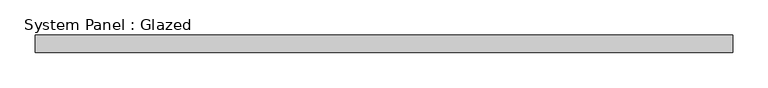
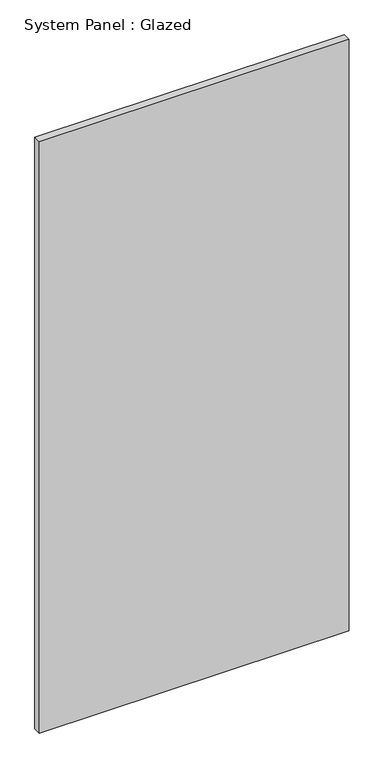
"""IFC4 building model written with IfcOpenShell, lengths in millimetres: plate geometry, System Panel : Glazed."""

from ifc_helpers import new_model, si_unit, origin, origin_with_axes, place, context, project, spatial, polyline, outline, extrude, source, transform, mapped, element, save


def system_panel_glazed_b46ffa29(model_context):
    return source(origin(), model_context, "Body", "SweptSolid", [
        extrude(outline(polyline([(495.7203834, 24.5), (-495.7203834, 24.5), (-495.7203834, 49.5), (495.7203834, 49.5), (495.7203834, 24.5)])), origin_with_axes(), (0.0, 0.0, 1.0), 2000.0),
    ])


if __name__ == "__main__":
    model = new_model("IFC4")
    model_context = context("Model", 3, world=origin())
    ifc_project = project(units=[si_unit("LENGTHUNIT", "METRE", prefix="MILLI")], contexts=[model_context])
    site = spatial("IfcSite", under=ifc_project)
    building = spatial("IfcBuilding", under=site)
    placement = place(None, origin())
    system_panel_glazed_shape = system_panel_glazed_b46ffa29(model_context)
    element("IfcPlate", 1, ObjectType="System Panel : Glazed", at=placement, inside=building, context=model_context, shape_type="MappedRepresentation", body=[
        mapped(system_panel_glazed_shape, transform((0.0, 0.0, 0.0), x_axis=(1.0, 0.0, 0.0), y_axis=(0.0, 1.0, 0.0), z_axis=(0.0, 0.0, 1.0))),
    ])
    save(model, "model.ifc")
